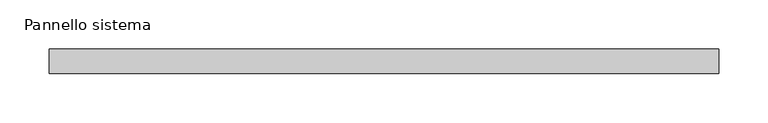
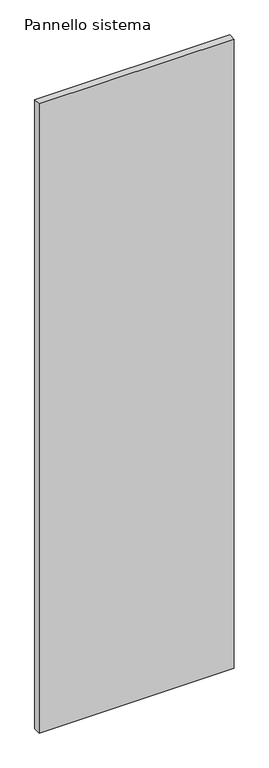
"""IFC4 building model written with IfcOpenShell, lengths in millimetres: plate geometry, Pannello sistema."""

from ifc_helpers import new_model, si_unit, origin, origin_with_axes, place, context, project, spatial, polyline, outline, extrude, source, transform, mapped, element, save


def pannello_sistema_1d52c17b(model_context):
    return source(origin(), model_context, "Body", "SweptSolid", [
        extrude(outline(polyline([(340.0, -12.5), (-340.0, -12.5), (-340.0, 12.5), (340.0, 12.5), (340.0, -12.5)])), origin_with_axes(), (0.0, 0.0, 1.0), 2315.0),
    ])


if __name__ == "__main__":
    model = new_model("IFC4")
    model_context = context("Model", 3, world=origin())
    ifc_project = project(units=[si_unit("LENGTHUNIT", "METRE", prefix="MILLI")], contexts=[model_context])
    site = spatial("IfcSite", under=ifc_project)
    building = spatial("IfcBuilding", under=site)
    placement = place(None, origin())
    pannello_sistema_shape = pannello_sistema_1d52c17b(model_context)
    element("IfcPlate", 1, ObjectType="Pannello sistema", at=placement, inside=building, context=model_context, shape_type="MappedRepresentation", body=[
        mapped(pannello_sistema_shape, transform((0.0, 0.0, 0.0), x_axis=(1.0, 0.0, 0.0), y_axis=(0.0, 1.0, 0.0), z_axis=(0.0, 0.0, 1.0))),
    ])
    save(model, "model.ifc")
